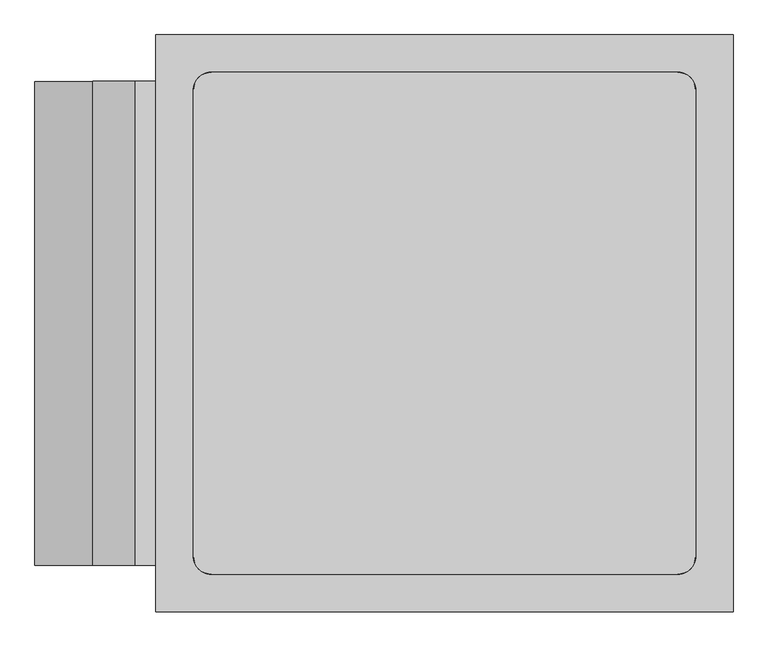
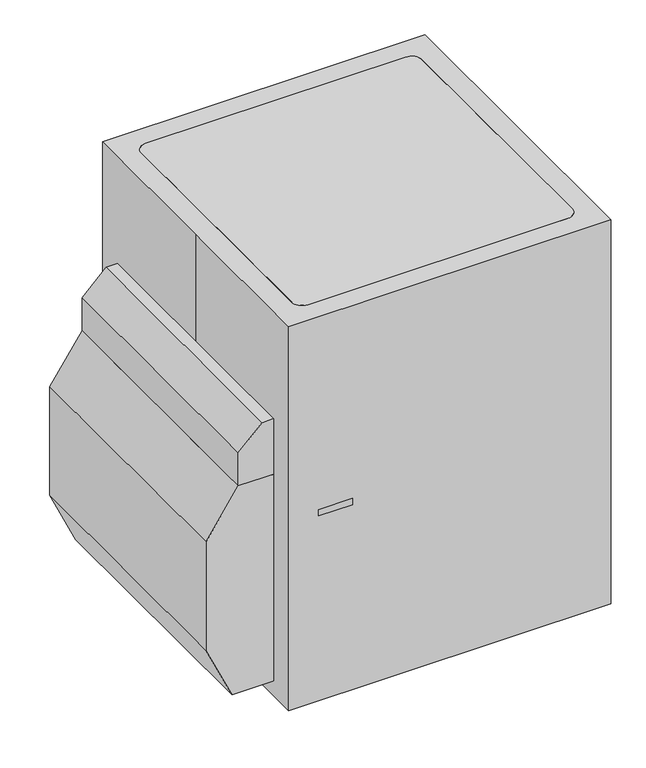
"""IFC4 building model written with IfcOpenShell, lengths in millimetres: proxy geometry."""

from ifc_helpers import new_model, si_unit, point, frame, frame_2d, origin, origin_with_axes, place, context, project, spatial, polyline, circle_curve, trimmed, segment, composite_curve, outline, extrude, source, transform, mapped, element, save
from ifc_brep_helpers import plane_surface, extruded_surface, advanced_brep


def specialty_equipment_3cbf8bef(model_context):
    return source(origin(), model_context, "Body", "SolidModel", [
        extrude(outline(composite_curve([segment(trimmed(circle_curve(frame_2d((-621.0282601, 970.0071)), 12.7), [point((-633.7282601, 970.0071))], [point((-608.3282601, 970.0071))], False, "CARTESIAN"), True, "CONTINUOUS"), segment(trimmed(circle_curve(frame_2d((-621.0282601, 970.0071)), 12.7), [point((-608.3282601, 970.0071))], [point((-633.7282601, 970.0071))], False, "CARTESIAN"), True, "CONTINUOUS")], self_intersect=False)), frame((762.0, 0.0, 0.0), z_axis=(1.0, 0.0, 0.0), x_axis=(0.0, 1.0, 0.0)), (0.0, 0.0, 1.0), 12.3209807),
        extrude(outline(polyline([(787.4, -474.9782601), (787.4, -640.0782601), (774.3209807, -640.0782601), (774.3209807, -474.9782601), (787.4, -474.9782601)])), frame((0.0, 0.0, 954.1321), z_axis=(0.0, 0.0, 1.0), x_axis=(1.0, 0.0, 0.0)), (0.0, 0.0, 1.0), 31.75),
        extrude(outline(composite_curve([segment(trimmed(circle_curve(frame_2d((970.0071, -621.0282601)), 12.7), [point((970.0071, -633.7282601))], [point((970.0071, -608.3282601))], False, "CARTESIAN"), True, "CONTINUOUS"), segment(trimmed(circle_curve(frame_2d((970.0071, -621.0282601)), 12.7), [point((970.0071, -608.3282601))], [point((970.0071, -633.7282601))], False, "CARTESIAN"), True, "CONTINUOUS")], self_intersect=False)), frame((0.0, -774.3209807, 0.0), z_axis=(0.0, 1.0, 0.0), x_axis=(0.0, 0.0, 1.0)), (0.0, 0.0, 1.0), 12.3209807),
        extrude(outline(polyline([(-474.9782601, -787.4), (-640.0782601, -787.4), (-640.0782601, -774.3209807), (-474.9782601, -774.3209807), (-474.9782601, -787.4)])), frame((0.0, 0.0, 954.1321), z_axis=(0.0, 0.0, 1.0), x_axis=(1.0, 0.0, 0.0)), (0.0, 0.0, 1.0), 31.75),
        extrude(outline(polyline([(1143.0, -960.0664825), (909.4469557, -1117.6), (348.5523789, -1117.6), (76.2, -990.6), (76.2, -762.0), (1143.0, -762.0), (1143.0, -960.0664825)])), frame((0.0, -660.4, 0.0), z_axis=(0.0, 1.0, 0.0), x_axis=(0.0, 0.0, 1.0)), (0.0, 0.0, 1.0), 1320.8),
        extrude(outline(polyline([(1143.0, -960.0664825), (1143.0, -762.0), (1429.8950025, -762.0), (1429.8950025, -843.6496764), (1313.4781963, -960.0664825), (1143.0, -960.0664825)])), frame((0.0, -660.4, 0.0), z_axis=(0.0, 1.0, 0.0), x_axis=(0.0, 0.0, 1.0)), (0.0, 0.0, 1.0), 1320.8),
        extrude(outline(polyline([(-707.7970453, -660.4), (-733.1970453, -660.4), (-733.1970453, 660.4), (-707.7970453, 660.4), (-707.7970453, -660.4)])), frame((0.0, 0.0, 76.2), z_axis=(0.0, 0.0, 1.0), x_axis=(1.0, 0.0, 0.0)), (0.0, 0.0, 1.0), 1828.8),
        extrude(outline(polyline([(-660.4, 707.7970453), (-660.4, 733.1970453), (660.4, 733.1970453), (660.4, 707.7970453), (-660.4, 707.7970453)])), frame((0.0, 0.0, 76.2), z_axis=(0.0, 0.0, 1.0), x_axis=(1.0, 0.0, 0.0)), (0.0, 0.0, 1.0), 1828.8),
        extrude(outline(polyline([(736.6, 584.2), (736.6, -584.2), (711.2, -584.2), (711.2, 584.2), (736.6, 584.2)])), frame((0.0, 0.0, 177.8), z_axis=(0.0, 0.0, 1.0), x_axis=(1.0, 0.0, 0.0)), (0.0, 0.0, 1.0), 1651.0),
        extrude(outline(polyline([(-584.2, 1905.0), (584.2, 1905.0), (660.4, 1905.0), (660.4, 76.2), (-660.4, 76.2), (-660.4, 1905.0), (-584.2, 1905.0)]), holes=[polyline([(-584.2, 177.8), (584.2, 177.8), (584.2, 1828.8), (-584.2, 1828.8), (-584.2, 177.8)])]), frame((685.8, 0.0, 0.0), z_axis=(1.0, 0.0, 0.0), x_axis=(0.0, 1.0, 0.0)), (0.0, 0.0, 1.0), 76.2),
        extrude(outline(polyline([(584.2, -736.6), (-584.2, -736.6), (-584.2, -711.2), (584.2, -711.2), (584.2, -736.6)])), frame((0.0, 0.0, 177.8), z_axis=(0.0, 0.0, 1.0), x_axis=(1.0, 0.0, 0.0)), (0.0, 0.0, 1.0), 1651.0),
        extrude(outline(polyline([(1905.0, -584.2), (1905.0, -660.4), (76.2, -660.4), (76.2, 660.4), (1905.0, 660.4), (1905.0, 584.2), (1905.0, -584.2)]), holes=[polyline([(177.8, -584.2), (1828.8, -584.2), (1828.8, 584.2), (177.8, 584.2), (177.8, -584.2)])]), frame((0.0, -762.0, 0.0), z_axis=(0.0, 1.0, 0.0), x_axis=(0.0, 0.0, 1.0)), (0.0, 0.0, 1.0), 76.2),
        extrude(outline(composite_curve([segment(trimmed(circle_curve(frame_2d((-711.2, 711.2)), 50.8), [point((-762.0, 711.2))], [point((-711.2, 762.0))], False, "CARTESIAN"), True, "CONTINUOUS"), segment(polyline([(-711.2, 762.0), (711.2, 762.0)]), True, "CONTINUOUS"), segment(trimmed(circle_curve(frame_2d((711.2, 711.2)), 50.8), [point((711.2, 762.0))], [point((762.0, 711.2))], False, "CARTESIAN"), True, "CONTINUOUS"), segment(polyline([(762.0, 711.2), (762.0, -711.2)]), True, "CONTINUOUS"), segment(trimmed(circle_curve(frame_2d((711.2, -711.2)), 50.8), [point((762.0, -711.2))], [point((711.2, -762.0))], False, "CARTESIAN"), True, "CONTINUOUS"), segment(polyline([(711.2, -762.0), (-711.2, -762.0)]), True, "CONTINUOUS"), segment(trimmed(circle_curve(frame_2d((-711.2, -711.2)), 50.8), [point((-711.2, -762.0))], [point((-762.0, -711.2))], False, "CARTESIAN"), True, "CONTINUOUS"), segment(polyline([(-762.0, -711.2), (-762.0, 711.2)]), True, "CONTINUOUS")], self_intersect=False)), origin_with_axes(), (0.0, 0.0, 1.0), 76.2),
        advanced_brep(
        [(-685.8, 635.0, 1981.2), (-685.8, -635.0, 1981.2), (-635.0, -685.8, 1981.2), (635.0, -685.8, 1981.2), (685.8, -635.0, 1981.2), (685.8, 635.0, 1981.2), (635.0, 685.8, 1981.2), (-635.0, 685.8, 1981.2), (-762.0, 711.2, 1905.0), (-711.2, 762.0, 1905.0), (711.2, 762.0, 1905.0), (762.0, 711.2, 1905.0), (762.0, -711.2, 1905.0), (711.2, -762.0, 1905.0), (-711.2, -762.0, 1905.0), (-762.0, -711.2, 1905.0)],
        [
            (0, 1),
            (1, 2, circle_curve(frame((-635.0, -635.0, 1981.2), z_axis=(0.0, 0.0, 1.0), x_axis=(1.0, 0.0, 0.0)), 50.8)),
            (2, 3),
            (3, 4, circle_curve(frame((635.0, -635.0, 1981.2), z_axis=(0.0, 0.0, 1.0), x_axis=(1.0, 0.0, 0.0)), 50.8)),
            (4, 5),
            (5, 6, circle_curve(frame((635.0, 635.0, 1981.2), z_axis=(0.0, 0.0, 1.0), x_axis=(1.0, 0.0, 0.0)), 50.8)),
            (6, 7),
            (7, 0, circle_curve(frame((-635.0, 635.0, 1981.2), z_axis=(0.0, 0.0, 1.0), x_axis=(1.0, 0.0, 0.0)), 50.8)),
            (8, 9, circle_curve(frame((-711.2, 711.2, 1905.0), z_axis=(0.0, 0.0, -1.0), x_axis=(1.0, 0.0, 0.0)), 50.8)),
            (9, 10),
            (10, 11, circle_curve(frame((711.2, 711.2, 1905.0), z_axis=(0.0, 0.0, -1.0), x_axis=(1.0, 0.0, 0.0)), 50.8)),
            (11, 12),
            (12, 13, circle_curve(frame((711.2, -711.2, 1905.0), z_axis=(0.0, 0.0, -1.0), x_axis=(1.0, 0.0, 0.0)), 50.8)),
            (13, 14),
            (14, 15, circle_curve(frame((-711.2, -711.2, 1905.0), z_axis=(0.0, 0.0, -1.0), x_axis=(1.0, 0.0, 0.0)), 50.8)),
            (15, 8),
            (15, 1),
            (0, 8),
            (14, 2),
            (13, 3),
            (12, 4),
            (11, 5),
            (10, 6),
            (9, 7),
        ],
        [
            plane_surface(frame((0.0, 0.0, 1981.2), z_axis=(0.0, 0.0, 1.0), x_axis=(-1.0, 0.0, 0.0))),
            plane_surface(frame((0.0, 0.0, 1905.0), z_axis=(0.0, 0.0, -1.0), x_axis=(-1.0, 0.0, 0.0))),
            plane_surface(frame((-762.0, 0.0, 1905.0), z_axis=(-0.7071067811865469, 0.0, 0.7071067811865481), x_axis=(0.0, -1.0, 0.0))),
            extruded_surface(trimmed(circle_curve(frame((-711.2, -711.2, 1905.0), z_axis=(0.0, 0.0, 1.0), x_axis=(1.0, 0.0, 0.0)), 50.8), [point((-762.0, -711.2, 1905.0))], [point((-711.2, -762.0, 1905.0))], True, "CARTESIAN"), (76.20000000000005, 76.20000000000005, 76.20000000000005), 131.98227153674853),
            plane_surface(frame((0.0, -762.0, 1905.0), z_axis=(0.0, -0.7071067811865476, 0.7071067811865476), x_axis=(1.0, 0.0, 0.0))),
            extruded_surface(trimmed(circle_curve(frame((711.2, -711.2, 1905.0), z_axis=(0.0, 0.0, 1.0), x_axis=(1.0, 0.0, 0.0)), 50.8), [point((711.2, -762.0, 1905.0))], [point((762.0, -711.2, 1905.0))], True, "CARTESIAN"), (-76.20000000000005, 76.20000000000005, 76.20000000000005), 131.98227153674853),
            plane_surface(frame((762.0, 0.0, 1905.0), z_axis=(0.7071067811865476, 0.0, 0.7071067811865476), x_axis=(0.0, 1.0, 0.0))),
            extruded_surface(trimmed(circle_curve(frame((711.2, 711.2, 1905.0), z_axis=(0.0, 0.0, 1.0), x_axis=(1.0, 0.0, 0.0)), 50.8), [point((762.0, 711.2, 1905.0))], [point((711.2, 762.0, 1905.0))], True, "CARTESIAN"), (-76.20000000000005, -76.20000000000005, 76.20000000000005), 131.98227153674853),
            plane_surface(frame((0.0, 762.0, 1905.0), z_axis=(0.0, 0.7071067811865476, 0.7071067811865476), x_axis=(-1.0, 0.0, 0.0))),
            extruded_surface(trimmed(circle_curve(frame((-711.2, 711.2, 1905.0), z_axis=(0.0, 0.0, 1.0), x_axis=(1.0, 0.0, 0.0)), 50.8), [point((-711.2, 762.0, 1905.0))], [point((-762.0, 711.2, 1905.0))], True, "CARTESIAN"), (76.20000000000005, -76.20000000000005, 76.20000000000005), 131.98227153674853),
        ],
        [
            (0, [[1, 2, 3, 4, 5, 6, 7, 8]]),
            (1, [[9, 10, 11, 12, 13, 14, 15, 16]]),
            (2, [[-16, 17, -1, 18]]),
            (3, [[-15, 19, -2, -17]]),
            (4, [[-14, 20, -3, -19]]),
            (5, [[-13, 21, -4, -20]]),
            (6, [[-12, 22, -5, -21]]),
            (7, [[-11, 23, -6, -22]]),
            (8, [[-10, 24, -7, -23]]),
            (9, [[-9, -18, -8, -24]]),
        ],
    ),
        extrude(outline(composite_curve([segment(polyline([(-660.4, 762.0), (-660.4, 678.9940905)]), True, "CONTINUOUS"), segment(trimmed(circle_curve(frame_2d((-635.0, 635.0)), 50.8), [point((-660.4, 678.9940905))], [point((-678.9940905, 660.4))], True, "CARTESIAN"), True, "CONTINUOUS"), segment(polyline([(-678.9940905, 660.4), (-762.0, 660.4), (-762.0, 711.2)]), True, "CONTINUOUS"), segment(trimmed(circle_curve(frame_2d((-711.2, 711.2)), 50.8), [point((-762.0, 711.2))], [point((-711.2, 762.0))], False, "CARTESIAN"), True, "CONTINUOUS"), segment(polyline([(-711.2, 762.0), (-660.4, 762.0)]), True, "CONTINUOUS")], self_intersect=False)), frame((0.0, 0.0, 76.2), z_axis=(0.0, 0.0, 1.0), x_axis=(1.0, 0.0, 0.0)), (0.0, 0.0, 1.0), 1828.8),
        extrude(outline(composite_curve([segment(polyline([(660.4, 762.0), (711.2, 762.0)]), True, "CONTINUOUS"), segment(trimmed(circle_curve(frame_2d((711.2, 711.2)), 50.8), [point((711.2, 762.0))], [point((762.0, 711.2))], False, "CARTESIAN"), True, "CONTINUOUS"), segment(polyline([(762.0, 711.2), (762.0, 660.4), (678.9940905, 660.4)]), True, "CONTINUOUS"), segment(trimmed(circle_curve(frame_2d((635.0, 635.0)), 50.8), [point((678.9940905, 660.4))], [point((660.4, 678.9940905))], True, "CARTESIAN"), True, "CONTINUOUS"), segment(polyline([(660.4, 678.9940905), (660.4, 762.0)]), True, "CONTINUOUS")], self_intersect=False)), frame((0.0, 0.0, 76.2), z_axis=(0.0, 0.0, 1.0), x_axis=(1.0, 0.0, 0.0)), (0.0, 0.0, 1.0), 1828.8),
        extrude(outline(composite_curve([segment(polyline([(-660.4, -762.0), (-711.2, -762.0)]), True, "CONTINUOUS"), segment(trimmed(circle_curve(frame_2d((-711.2, -711.2)), 50.8), [point((-711.2, -762.0))], [point((-762.0, -711.2))], False, "CARTESIAN"), True, "CONTINUOUS"), segment(polyline([(-762.0, -711.2), (-762.0, -660.4), (-678.9940905, -660.4)]), True, "CONTINUOUS"), segment(trimmed(circle_curve(frame_2d((-635.0, -635.0)), 50.8), [point((-678.9940905, -660.4))], [point((-660.4, -678.9940905))], True, "CARTESIAN"), True, "CONTINUOUS"), segment(polyline([(-660.4, -678.9940905), (-660.4, -762.0)]), True, "CONTINUOUS")], self_intersect=False)), frame((0.0, 0.0, 76.2), z_axis=(0.0, 0.0, 1.0), x_axis=(1.0, 0.0, 0.0)), (0.0, 0.0, 1.0), 1828.8),
        extrude(outline(composite_curve([segment(polyline([(660.4, -762.0), (660.4, -678.9940905)]), True, "CONTINUOUS"), segment(trimmed(circle_curve(frame_2d((635.0, -635.0)), 50.8), [point((660.4, -678.9940905))], [point((678.9940905, -660.4))], True, "CARTESIAN"), True, "CONTINUOUS"), segment(polyline([(678.9940905, -660.4), (762.0, -660.4), (762.0, -711.2)]), True, "CONTINUOUS"), segment(trimmed(circle_curve(frame_2d((711.2, -711.2)), 50.8), [point((762.0, -711.2))], [point((711.2, -762.0))], False, "CARTESIAN"), True, "CONTINUOUS"), segment(polyline([(711.2, -762.0), (660.4, -762.0)]), True, "CONTINUOUS")], self_intersect=False)), frame((0.0, 0.0, 76.2), z_axis=(0.0, 0.0, 1.0), x_axis=(1.0, 0.0, 0.0)), (0.0, 0.0, 1.0), 1828.8),
        extrude(outline(polyline([(-787.4, 787.4), (787.4, 787.4), (787.4, -787.4), (-787.4, -787.4), (-787.4, 0.0), (-787.4, 787.4)])), origin_with_axes(), (0.0, 0.0, 1.0), 1981.2),
    ])


if __name__ == "__main__":
    model = new_model("IFC4")
    model_context = context("Model", 3, world=origin())
    ifc_project = project(units=[si_unit("LENGTHUNIT", "METRE", prefix="MILLI")], contexts=[model_context])
    site = spatial("IfcSite", under=ifc_project)
    building = spatial("IfcBuilding", under=site)
    placement = place(None, origin())
    specialty_equipment_shape = specialty_equipment_3cbf8bef(model_context)
    element("IfcBuildingElementProxy", 1, Name="Specialty Equipment", at=placement, inside=building, context=model_context, shape_type="MappedRepresentation", body=[
        mapped(specialty_equipment_shape, transform((0.0, 0.0, 0.0), x_axis=(1.0, 0.0, 0.0), y_axis=(0.0, 1.0, 0.0), z_axis=(0.0, 0.0, 1.0))),
    ])
    save(model, "model.ifc")
